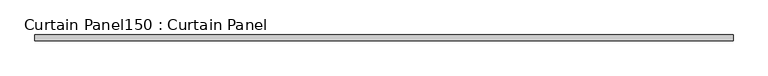
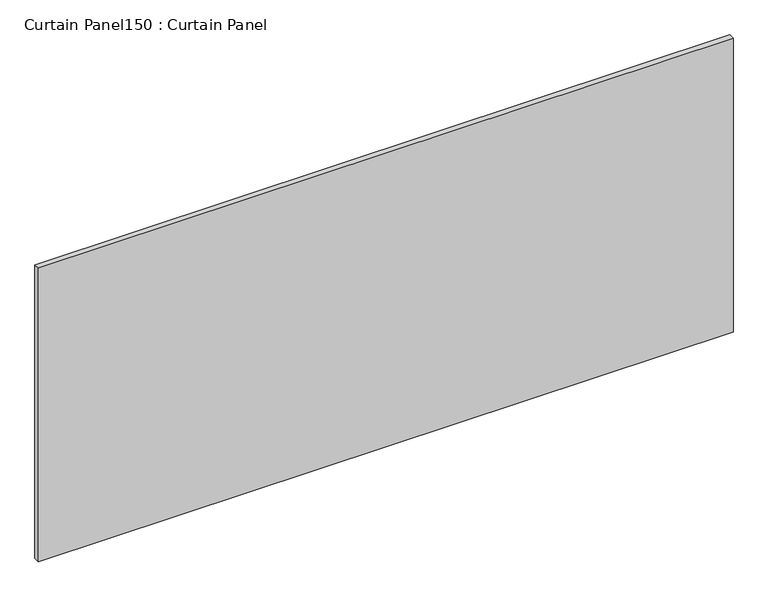
"""IFC4 building model written with IfcOpenShell, lengths in millimetres: plate geometry, Curtain Panel150 : Curtain Panel."""

import ifcopenshell
import ifcopenshell.guid

model = None  # the IFC model being written
_history = None  # IfcOwnerHistory: only IFC2X3 demands one
_inside = {}  # id of a spatial element -> (the spatial element, [elements in it])
_under = {}  # id of a project, library or spatial element -> (it, [spatial elements below it])
_declared = {}  # id of a project -> (the project, [libraries it declares])
_typed = {}  # id of a type object -> (the type object, [elements of that type])
_made_of = {}  # id of a material, layer set ... -> (it, [elements and type objects made of it])


def new_model(schema):
    """Start an empty IFC model of exactly this schema.

    Asked for "IFC4X3", IfcOpenShell would pick the latest addendum, in which some entities
    have other attributes; the version numbers below select the first issue.
    IFC2X3 requires an IfcOwnerHistory on every rooted entity: one is made here for all.
    """
    global model, _history
    if schema == "IFC4X3":
        model = ifcopenshell.file(schema_version=(4, 3, 0, 0))
    else:
        model = ifcopenshell.file(schema=schema)
    _inside.clear()
    _under.clear()
    _declared.clear()
    _typed.clear()
    _made_of.clear()
    _history = None
    if model.schema == "IFC2X3":
        org = make("IfcOrganization", Name="unknown")
        user = make(
            "IfcPersonAndOrganization",
            ThePerson=make("IfcPerson", FamilyName="unknown"),
            TheOrganization=org,
        )
        app = make(
            "IfcApplication",
            ApplicationDeveloper=org,
            Version="unknown",
            ApplicationFullName="unknown",
            ApplicationIdentifier="unknown",
        )
        _history = make(
            "IfcOwnerHistory",
            OwningUser=user,
            OwningApplication=app,
            ChangeAction="ADDED",
            CreationDate=0,
        )
    return model


def make(cls, **values):
    """One entity of the class cls with the attributes given. An attribute that is None is left unset."""
    return model.create_entity(
        cls, **{name: value for name, value in values.items() if value is not None}
    )


def rooted(cls, **values):
    """An entity with a GlobalId (a new one), such as an element, a storey or a relation."""
    return make(cls, GlobalId=ifcopenshell.guid.new(), OwnerHistory=_history, **values)


def si_unit(unit_type, name, prefix=None):
    """IfcSIUnit, for example si_unit("LENGTHUNIT", "METRE", prefix="MILLI")."""
    return make("IfcSIUnit", UnitType=unit_type, Prefix=prefix, Name=name)


def assignment(units):
    """IfcUnitAssignment: the units of a project."""
    return None if units is None else make("IfcUnitAssignment", Units=units)


def point(xyz):
    """IfcCartesianPoint."""
    return None if xyz is None else make("IfcCartesianPoint", Coordinates=xyz)


def direction(xyz):
    """IfcDirection."""
    return None if xyz is None else make("IfcDirection", DirectionRatios=xyz)


def frame(location, z_axis=None, x_axis=None):
    """IfcAxis2Placement3D, a coordinate frame: its origin and axes. An axis left out is left unset."""
    return make(
        "IfcAxis2Placement3D",
        Location=point(location),
        Axis=direction(z_axis),
        RefDirection=direction(x_axis),
    )


def origin():
    """The frame at (0, 0, 0) with its axes left unset."""
    return frame((0.0, 0.0, 0.0))


def place(relative_to, where):
    """IfcLocalPlacement: puts the frame where relative to a parent placement (None: the world)."""
    return make(
        "IfcLocalPlacement", PlacementRelTo=relative_to, RelativePlacement=where
    )


def context(
    kind, dimensions, precision=None, world=None, true_north=None, identifier=None
):
    """IfcGeometricRepresentationContext, for example the 3D "Model" context."""
    return make(
        "IfcGeometricRepresentationContext",
        ContextIdentifier=identifier,
        ContextType=kind,
        CoordinateSpaceDimension=dimensions,
        Precision=precision,
        WorldCoordinateSystem=world,
        TrueNorth=true_north,
    )


def project(units=None, contexts=None):
    """IfcProject with its units and contexts."""
    return rooted(
        "IfcProject",
        Name="project",
        RepresentationContexts=contexts,
        UnitsInContext=assignment(units),
    )


def spatial(cls, under=None, at=None, **own):
    """A site, building, storey or space (cls), placed at a placement, below another one or the project."""
    s = rooted(cls, ObjectPlacement=at, **own)
    if under is not None:
        _under.setdefault(under.id(), (under, []))[1].append(s)
    return s


def polyline(points):
    """IfcPolyline through the points."""
    return make("IfcPolyline", Points=[point(p) for p in points])


def outline(outer, holes=None, kind="AREA"):
    """IfcArbitraryClosedProfileDef: a profile drawn as a closed curve; with holes, ...WithVoids."""
    if holes is None:
        return make("IfcArbitraryClosedProfileDef", ProfileType=kind, OuterCurve=outer)
    return make(
        "IfcArbitraryProfileDefWithVoids",
        ProfileType=kind,
        OuterCurve=outer,
        InnerCurves=holes,
    )


def extrude(swept, where, along, depth):
    """IfcExtrudedAreaSolid: the profile swept, set in the frame where, extruded along a direction by depth."""
    return make(
        "IfcExtrudedAreaSolid",
        SweptArea=swept,
        Position=where,
        ExtrudedDirection=direction(along),
        Depth=depth,
    )


def shape(context_of_items, identifier, shape_type, items):
    """IfcShapeRepresentation: the items that make up one representation, for example the "Body"."""
    return make(
        "IfcShapeRepresentation",
        ContextOfItems=context_of_items,
        RepresentationIdentifier=identifier,
        RepresentationType=shape_type,
        Items=items,
    )


def source(mapping_origin, context_of_items, identifier, shape_type, items):
    """IfcRepresentationMap: a shape defined once, which mapped items show again and again."""
    return make(
        "IfcRepresentationMap",
        MappingOrigin=mapping_origin,
        MappedRepresentation=shape(context_of_items, identifier, shape_type, items),
    )


def transform(
    local_origin,
    x_axis=None,
    y_axis=None,
    z_axis=None,
    scale=None,
    scale2=None,
    scale3=None,
    uniform=True,
):
    """IfcCartesianTransformationOperator3D, or its non-uniform kind. x_axis, y_axis, z_axis: its Axis1, 2, 3."""
    if uniform:
        return make(
            "IfcCartesianTransformationOperator3D",
            Axis1=direction(x_axis),
            Axis2=direction(y_axis),
            LocalOrigin=point(local_origin),
            Scale=scale,
            Axis3=direction(z_axis),
        )
    return make(
        "IfcCartesianTransformationOperator3DnonUniform",
        Axis1=direction(x_axis),
        Axis2=direction(y_axis),
        LocalOrigin=point(local_origin),
        Scale=scale,
        Axis3=direction(z_axis),
        Scale2=scale2,
        Scale3=scale3,
    )


def mapped(mapping_source, mapping_target):
    """IfcMappedItem: shows the shape of a source again, moved by a transform."""
    return make(
        "IfcMappedItem", MappingSource=mapping_source, MappingTarget=mapping_target
    )


def made_of(thing, what):
    """Note that an element or type object is made of a material, layer set ...; save() writes the relation."""
    if what is not None:
        _made_of.setdefault(what.id(), (what, []))[1].append(thing)
    return thing


def element(
    cls,
    number,
    at=None,
    inside=None,
    cuts=None,
    type_object=None,
    material=None,
    context=None,
    identifier="Body",
    shape_type=None,
    held_by="IfcProductDefinitionShape",
    body=None,
    shapes=None,
    **own,
):
    """One element of the class cls, such as IfcWall. Its Tag is "e" and its number.

    at: its placement. inside: the storey or other place that contains it. cuts: it is an
    opening in that element (IfcRelVoidsElement). A single representation is given by context,
    identifier, shape_type and body (its items); several are given by shapes. held_by: the class
    of the entity that holds the representations. save() writes the other relations.
    """
    e = rooted(cls, Tag="e%d" % number, ObjectPlacement=at, **own)
    if body is not None:
        shapes = [shape(context, identifier, shape_type, body)]
    if shapes is not None:
        e.Representation = make(held_by, Representations=shapes)
    if inside is not None:
        _inside.setdefault(inside.id(), (inside, []))[1].append(e)
    if cuts is not None:
        rooted(
            "IfcRelVoidsElement", RelatingBuildingElement=cuts, RelatedOpeningElement=e
        )
    if type_object is not None:
        _typed.setdefault(type_object.id(), (type_object, []))[1].append(e)
    return made_of(e, material)


def aggregate(whole, parts):
    """IfcRelAggregates: a whole, such as a stair, and the parts it consists of."""
    return rooted("IfcRelAggregates", RelatingObject=whole, RelatedObjects=parts)


def save(model, path):
    """Write the relations noted so far, then the file.

    IfcRelAggregates (storeys below a building ...), IfcRelContainedInSpatialStructure (elements
    in a storey), IfcRelDefinesByType, IfcRelAssociatesMaterial and IfcRelDeclares: one each for
    every whole, place, type object, material and project.
    """
    for whole, parts in _under.values():
        aggregate(whole, parts)
    for where, things in _inside.values():
        rooted(
            "IfcRelContainedInSpatialStructure",
            RelatedElements=things,
            RelatingStructure=where,
        )
    for kind, things in _typed.values():
        rooted("IfcRelDefinesByType", RelatedObjects=things, RelatingType=kind)
    for what, things in _made_of.values():
        rooted("IfcRelAssociatesMaterial", RelatedObjects=things, RelatingMaterial=what)
    for by, libraries in _declared.values():
        rooted("IfcRelDeclares", RelatingContext=by, RelatedDefinitions=libraries)
    model.write(path)


def curtain_panel150_curtain_panel_f3b9c9d9(model_context):
    return source(origin(), model_context, "Body", "SweptSolid", [
        extrude(outline(polyline([(395765.4312536, 2305.3839321), (392717.4312536, 2305.3839321), (392717.4312536, 2330.7839321), (395765.4312536, 2330.7839321), (395765.4312536, 2305.3839321)])), frame((0.0, 0.0, 7019.7548754), z_axis=(0.0, 0.0, 1.0), x_axis=(1.0, 0.0, 0.0)), (0.0, 0.0, 1.0), 1362.6676999),
    ])


if __name__ == "__main__":
    model = new_model("IFC4")
    model_context = context("Model", 3, world=origin())
    ifc_project = project(units=[si_unit("LENGTHUNIT", "METRE", prefix="MILLI")], contexts=[model_context])
    site = spatial("IfcSite", under=ifc_project)
    building = spatial("IfcBuilding", under=site)
    placement = place(None, origin())
    curtain_panel150_curtain_panel_shape = curtain_panel150_curtain_panel_f3b9c9d9(model_context)
    element("IfcPlate", 1, ObjectType="Curtain Panel150 : Curtain Panel", at=placement, inside=building, context=model_context, shape_type="MappedRepresentation", body=[
        mapped(curtain_panel150_curtain_panel_shape, transform((0.0, 0.0, 0.0), x_axis=(1.0, 0.0, 0.0), y_axis=(0.0, 1.0, 0.0), z_axis=(0.0, 0.0, 1.0))),
    ])
    save(model, "model.ifc")
